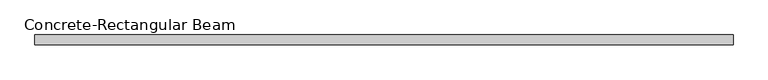
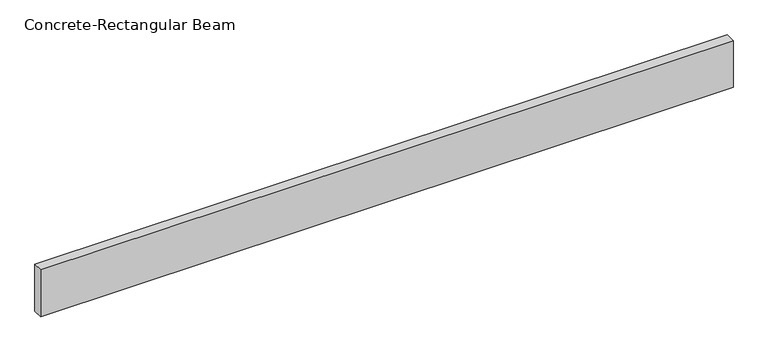
"""IFC4 building model written with IfcOpenShell, lengths in millimetres: beam geometry, Concrete-Rectangular Beam."""

from ifc_helpers import new_model, si_unit, frame, origin, place, context, project, spatial, polyline, outline, extrude, source, transform, mapped, element, save


def concrete_rectangular_beam_74eacfb8(model_context):
    return source(origin(), model_context, "Body", "SweptSolid", [
        extrude(outline(polyline([(1750.0, 25.0), (1750.0, -25.0), (-1750.0, -25.0), (-1750.0, 25.0), (1750.0, 25.0)])), frame((0.0, 0.0, -125.0), z_axis=(0.0, 0.0, 1.0), x_axis=(1.0, 0.0, 0.0)), (0.0, 0.0, 1.0), 250.0),
    ])


if __name__ == "__main__":
    model = new_model("IFC4")
    model_context = context("Model", 3, world=origin())
    ifc_project = project(units=[si_unit("LENGTHUNIT", "METRE", prefix="MILLI")], contexts=[model_context])
    site = spatial("IfcSite", under=ifc_project)
    building = spatial("IfcBuilding", under=site)
    placement = place(None, origin())
    concrete_rectangular_beam_shape = concrete_rectangular_beam_74eacfb8(model_context)
    element("IfcBeam", 1, ObjectType="Concrete-Rectangular Beam", at=placement, inside=building, context=model_context, shape_type="MappedRepresentation", body=[
        mapped(concrete_rectangular_beam_shape, transform((0.0, 0.0, 0.0), x_axis=(1.0, 0.0, 0.0), y_axis=(0.0, 1.0, 0.0), z_axis=(0.0, 0.0, 1.0))),
    ])
    save(model, "model.ifc")
